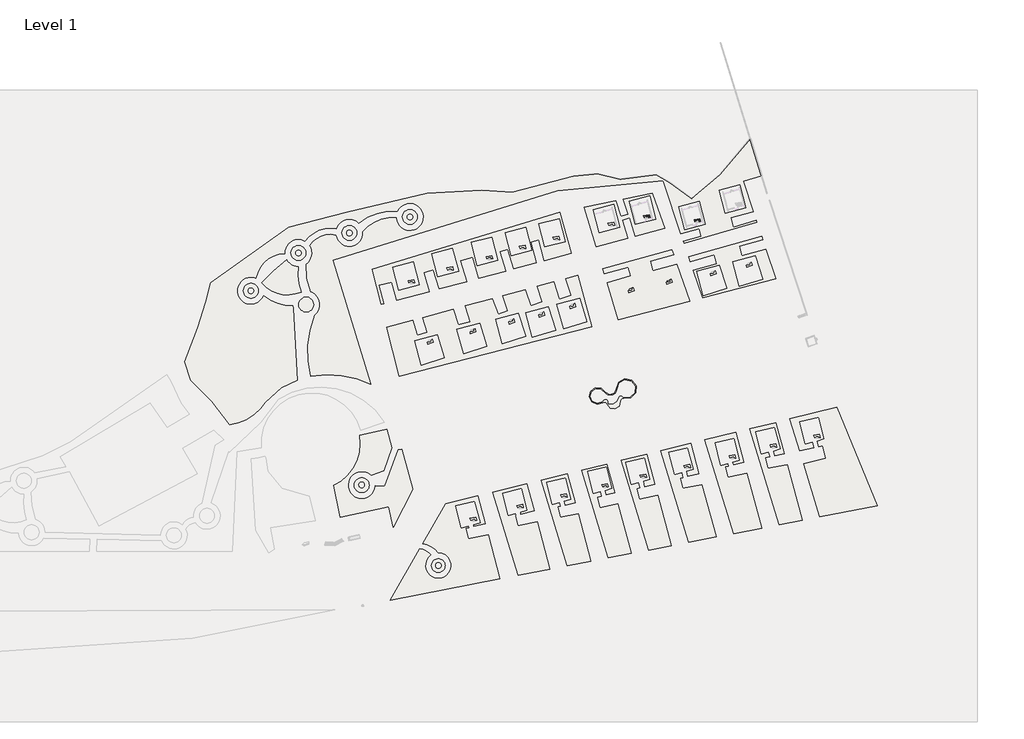
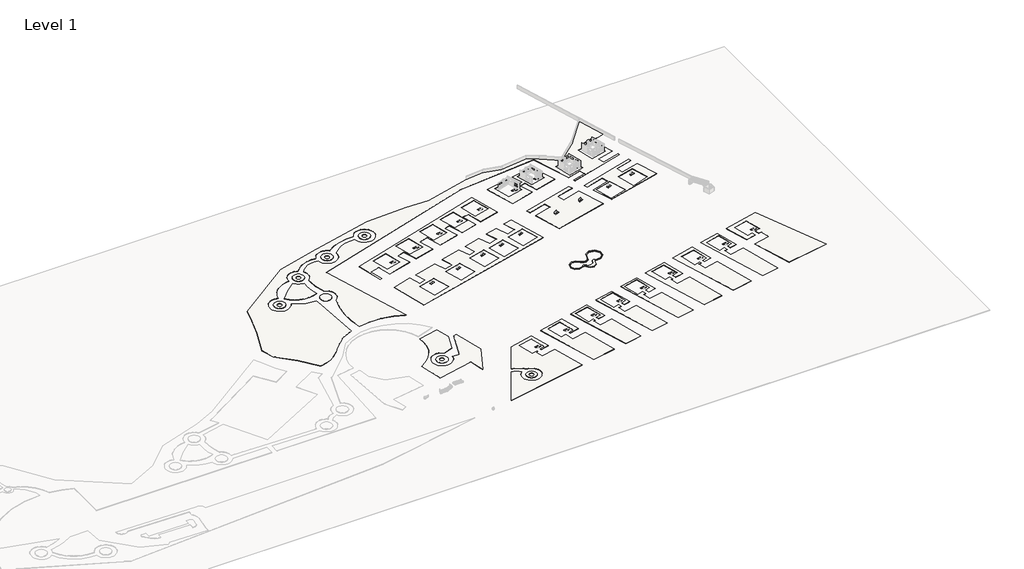
# One storey, part 54 of 56: 30 slabs.
"""IFC4 building model written with IfcOpenShell, lengths in millimetres."""

from ifc_helpers import new_model, si_unit, point, frame, frame_2d, origin, origin_with_axes, place, context, project, spatial, polyline, circle_curve, trimmed, segment, composite_curve, outline, extrude, element, save

model = new_model("IFC4")

# Units and contexts
model_context = context("Model", 3, world=origin())
ifc_project = project(units=[si_unit("LENGTHUNIT", "METRE", prefix="MILLI")], contexts=[model_context])

# Site, building, storey
site = spatial("IfcSite", under=ifc_project)
building = spatial("IfcBuilding", under=site)
storey = spatial("IfcBuildingStorey", under=building, Name="Level 1", Elevation=0.0)

# Slabs
placement = place(None, origin())
element("IfcSlab", 1, at=placement, inside=storey, context=model_context, shape_type="SweptSolid", body=[
    extrude(outline(composite_curve([segment(trimmed(circle_curve(frame_2d((169612.2405315, -29630.4087217)), 4000.0), [point((173581.161598, -29132.7486282))], [point((165769.2791302, -30740.2049496))], False, "CARTESIAN"), True, "CONTINUOUS"), segment(trimmed(circle_curve(frame_2d((164140.7758408, -31210.4950771)), 1695.0503731), [point((165769.2791302, -30740.2049496))], [point((163237.121325, -29776.4085095))], True, "CARTESIAN"), True, "CONTINUOUS"), segment(trimmed(circle_curve(frame_2d((160216.9831471, -25791.5916521)), 5000.0), [point((163237.121325, -29776.4085095))], [point((164763.6557914, -23711.2628642))], False, "CARTESIAN"), True, "CONTINUOUS"), segment(trimmed(circle_curve(frame_2d((167627.0718453, -21411.0165629)), 3672.9122701), [point((164763.6557914, -23711.2628642))], [point((171278.0224053, -21812.0708642))], True, "CARTESIAN"), True, "CONTINUOUS"), segment(trimmed(circle_curve(frame_2d((177273.2834301, -21573.6484554)), 6000.0), [point((171278.0224053, -21812.0708642))], [point((175553.3274812, -27321.8439578))], False, "CARTESIAN"), True, "CONTINUOUS"), segment(trimmed(circle_curve(frame_2d((175211.0050711, -28928.3837538)), 1642.6060845), [point((175553.3274812, -27321.8439578))], [point((173581.161598, -29132.7486282))], True, "CARTESIAN"), True, "CONTINUOUS")], self_intersect=False), holes=[composite_curve([segment(trimmed(circle_curve(frame_2d((164704.7694117, -29890.9972156)), 1984.7106629), [point((162792.7200884, -29358.8846327))], [point((166586.6500273, -30521.5539253))], False, "CARTESIAN"), True, "CONTINUOUS"), segment(trimmed(circle_curve(frame_2d((167952.4111652, -26064.9108336)), 4661.2199188), [point((166586.6500273, -30521.5539253))], [point((172596.1618126, -26468.087044))], True, "CARTESIAN"), True, "CONTINUOUS"), segment(trimmed(circle_curve(frame_2d((173974.478587, -27543.840046)), 1748.4283376), [point((172596.1618126, -26468.087044))], [point((175489.0975584, -26670.3808179))], False, "CARTESIAN"), True, "CONTINUOUS"), segment(trimmed(circle_curve(frame_2d((177273.2834301, -21573.6484554)), 5400.0), [point((175489.0975584, -26670.3808179))], [point((171879.3785061, -21830.1434297))], True, "CARTESIAN"), True, "CONTINUOUS"), segment(trimmed(circle_curve(frame_2d((167627.0718453, -21411.0165629)), 4272.9122701), [point((171879.3785061, -21830.1434297))], [point((164246.4575433, -24024.2953864))], False, "CARTESIAN"), True, "CONTINUOUS"), segment(trimmed(circle_curve(frame_2d((160216.9831471, -25791.5916521)), 4400.0), [point((164246.4575433, -24024.2953864))], [point((162792.7200884, -29358.8846327))], True, "CARTESIAN"), True, "CONTINUOUS")], self_intersect=False)]), origin_with_axes(), (0.0, 0.0, 1.0), 600.0),
])
element("IfcSlab", 2, ObjectType="Generic 150mm", at=placement, inside=storey, context=model_context, shape_type="SweptSolid", body=[
    extrude(outline(polyline([(86953.1777292, -99195.5763629), (85523.4168228, -99584.1923628), (84862.3305043, -99763.8788541), (84350.2989737, -98496.5563441), (87777.4299542, -97892.2606858), (88302.0076282, -99822.2395106), (87193.0934232, -100078.2525272), (86953.1777292, -99195.5763629)])), frame((0.0, 0.0, 450.0), z_axis=(0.0, 0.0, 1.0), x_axis=(1.0, 0.0, 0.0)), (0.0, 0.0, 1.0), 150.0),
])
element("IfcSlab", 3, ObjectType="Generic 150mm", at=placement, inside=storey, context=model_context, shape_type="SweptSolid", body=[
    extrude(outline(polyline([(114794.9072933, -91628.058238), (113365.1463869, -92016.6742379), (112704.0600684, -92196.3607292), (112192.0285378, -90929.0382192), (115619.1595183, -90324.7425609), (116143.7371923, -92254.7213856), (115034.8229873, -92510.7344023), (114794.9072933, -91628.058238)])), frame((0.0, 0.0, 450.0), z_axis=(0.0, 0.0, 1.0), x_axis=(1.0, 0.0, 0.0)), (0.0, 0.0, 1.0), 150.0),
])
element("IfcSlab", 4, ObjectType="Generic 150mm", at=placement, inside=storey, context=model_context, shape_type="SweptSolid", body=[
    extrude(outline(polyline([(140819.2515456, -85337.0958488), (139389.4906393, -85725.7118487), (138728.4043208, -85905.39834), (138216.3727902, -84638.07583), (141643.5037707, -84033.7801717), (142168.0814447, -85963.7589965), (141059.1672397, -86219.7720131), (140819.2515456, -85337.0958488)])), frame((0.0, 0.0, 450.0), z_axis=(0.0, 0.0, 1.0), x_axis=(1.0, 0.0, 0.0)), (0.0, 0.0, 1.0), 150.0),
])
element("IfcSlab", 5, ObjectType="Generic 150mm", at=placement, inside=storey, context=model_context, shape_type="SweptSolid", body=[
    extrude(outline(polyline([(165173.6742752, -79264.8562692), (163743.9133689, -79653.4722691), (163082.8270503, -79833.1587604), (162570.7955197, -78565.8362505), (165997.9265002, -77961.5405922), (166522.5041743, -79891.5194169), (165413.5899692, -80147.5324335), (165173.6742752, -79264.8562692)])), frame((0.0, 0.0, 450.0), z_axis=(0.0, 0.0, 1.0), x_axis=(1.0, 0.0, 0.0)), (0.0, 0.0, 1.0), 150.0),
])
element("IfcSlab", 6, ObjectType="Generic 150mm", at=placement, inside=storey, context=model_context, shape_type="SweptSolid", body=[
    extrude(outline(polyline([(187898.6414707, -73598.8855837), (186468.8805644, -73987.5015836), (185807.7942459, -74167.1880749), (185295.7627153, -72899.8655649), (188722.8936957, -72295.5699066), (189247.4713698, -74225.5487314), (188138.5571648, -74481.561748), (187898.6414707, -73598.8855837)])), frame((0.0, 0.0, 450.0), z_axis=(0.0, 0.0, 1.0), x_axis=(1.0, 0.0, 0.0)), (0.0, 0.0, 1.0), 150.0),
])
element("IfcSlab", 7, ObjectType="Generic 150mm", at=placement, inside=storey, context=model_context, shape_type="SweptSolid", body=[
    extrude(outline(polyline([(213988.8962509, -67873.8980231), (212559.1353446, -68262.5140229), (211898.049026, -68442.2005143), (211386.0174954, -67174.8780043), (214813.1484759, -66570.582346), (215337.72615, -68500.5611707), (214228.8119449, -68756.5741874), (213988.8962509, -67873.8980231)])), frame((0.0, 0.0, 450.0), z_axis=(0.0, 0.0, 1.0), x_axis=(1.0, 0.0, 0.0)), (0.0, 0.0, 1.0), 150.0),
])
element("IfcSlab", 8, ObjectType="Generic 150mm", at=placement, inside=storey, context=model_context, shape_type="SweptSolid", body=[
    extrude(outline(polyline([(240772.2616666, -62109.5221478), (239342.5007603, -62498.1381477), (238681.4144418, -62677.824639), (238169.3829111, -61410.502129), (241596.5138916, -60806.2064708), (242121.0915657, -62736.1852955), (241012.1773606, -62992.1983121), (240772.2616666, -62109.5221478)])), frame((0.0, 0.0, 450.0), z_axis=(0.0, 0.0, 1.0), x_axis=(1.0, 0.0, 0.0)), (0.0, 0.0, 1.0), 150.0),
])
element("IfcSlab", 9, ObjectType="Generic 150mm", at=placement, inside=storey, context=model_context, shape_type="SweptSolid", body=[
    extrude(outline(polyline([(265131.3535588, -55694.943023), (263701.5926525, -56083.5590229), (263040.506334, -56263.2455142), (262528.4748034, -54995.9230042), (265955.6057838, -54391.627346), (266480.1834579, -56321.6061707), (265371.2692529, -56577.6191873), (265131.3535588, -55694.943023)])), frame((0.0, 0.0, 450.0), z_axis=(0.0, 0.0, 1.0), x_axis=(1.0, 0.0, 0.0)), (0.0, 0.0, 1.0), 150.0),
])
element("IfcSlab", 10, ObjectType="Generic 150mm", at=placement, inside=storey, context=model_context, shape_type="SweptSolid", body=[
    extrude(outline(polyline([(291040.1343154, -49984.4317775), (289610.373409, -50373.0477774), (288949.2870905, -50552.7342687), (288437.2555599, -49285.4117588), (291864.3865404, -48681.1161005), (292388.9642144, -50611.0949252), (291280.0500094, -50867.1079418), (291040.1343154, -49984.4317775)])), frame((0.0, 0.0, 450.0), z_axis=(0.0, 0.0, 1.0), x_axis=(1.0, 0.0, 0.0)), (0.0, 0.0, 1.0), 150.0),
])
element("IfcSlab", 11, ObjectType="Generic 150mm", at=placement, inside=storey, context=model_context, shape_type="SweptSolid", body=[
    extrude(outline(polyline([(50179.9856071, 41903.9334982), (48750.2247008, 41515.3174983), (48089.1383822, 41335.631007), (47577.1068516, 42602.953517), (51004.2378321, 43207.2491753), (51528.8155062, 41277.2703506), (50419.9013011, 41021.2573339), (50179.9856071, 41903.9334982)])), frame((0.0, 0.0, 450.0), z_axis=(0.0, 0.0, 1.0), x_axis=(1.0, 0.0, 0.0)), (0.0, 0.0, 1.0), 150.0),
])
element("IfcSlab", 12, ObjectType="Generic 150mm", at=placement, inside=storey, context=model_context, shape_type="SweptSolid", body=[
    extrude(outline(polyline([(73232.5356863, 49453.516685), (71802.77478, 49064.9006851), (71141.6884614, 48885.2141938), (70629.6569308, 50152.5367038), (74056.7879113, 50756.8323621), (74581.3655854, 48826.8535374), (73472.4513803, 48570.8405207), (73232.5356863, 49453.516685)])), frame((0.0, 0.0, 450.0), z_axis=(0.0, 0.0, 1.0), x_axis=(1.0, 0.0, 0.0)), (0.0, 0.0, 1.0), 150.0),
])
element("IfcSlab", 13, ObjectType="Generic 150mm", at=placement, inside=storey, context=model_context, shape_type="SweptSolid", body=[
    extrude(outline(polyline([(96563.6234018, 56167.8136476), (95133.8624955, 55779.1976478), (94472.776177, 55599.5111564), (93960.7446463, 56866.8336664), (97387.8756268, 57471.1293247), (97912.4533009, 55541.1505), (96803.5390959, 55285.1374833), (96563.6234018, 56167.8136476)])), frame((0.0, 0.0, 450.0), z_axis=(0.0, 0.0, 1.0), x_axis=(1.0, 0.0, 0.0)), (0.0, 0.0, 1.0), 150.0),
])
element("IfcSlab", 14, ObjectType="Generic 150mm", at=placement, inside=storey, context=model_context, shape_type="SweptSolid", body=[
    extrude(outline(polyline([(116268.1766023, 62192.1001255), (114838.415696, 61803.4841256), (114177.3293774, 61623.7976343), (113665.2978468, 62891.1201442), (117092.4288273, 63495.4158025), (117617.0065014, 61565.4369778), (116508.0922963, 61309.4239612), (116268.1766023, 62192.1001255)])), frame((0.0, 0.0, 450.0), z_axis=(0.0, 0.0, 1.0), x_axis=(1.0, 0.0, 0.0)), (0.0, 0.0, 1.0), 150.0),
])
element("IfcSlab", 15, ObjectType="Generic 150mm", at=placement, inside=storey, context=model_context, shape_type="SweptSolid", body=[
    extrude(outline(polyline([(136243.4574381, 67621.4790521), (134813.6965318, 67232.8630522), (134152.6102133, 67053.1765609), (133640.5786827, 68320.4990708), (137067.7096632, 68924.7947291), (137592.2873372, 66994.8159044), (136483.3731322, 66738.8028878), (136243.4574381, 67621.4790521)])), frame((0.0, 0.0, 450.0), z_axis=(0.0, 0.0, 1.0), x_axis=(1.0, 0.0, 0.0)), (0.0, 0.0, 1.0), 150.0),
])
element("IfcSlab", 16, ObjectType="Generic 150mm", at=placement, inside=storey, context=model_context, shape_type="SweptSolid", body=[
    extrude(outline(polyline([(168863.1649015, 75979.6512182), (167433.4039951, 75591.0352184), (166772.3176766, 75411.3487271), (166260.286146, 76678.671237), (169687.4171265, 77282.9668953), (170211.9948005, 75352.9880706), (169103.0805955, 75096.975054), (168863.1649015, 75979.6512182)])), frame((0.0, 0.0, 450.0), z_axis=(0.0, 0.0, 1.0), x_axis=(1.0, 0.0, 0.0)), (0.0, 0.0, 1.0), 150.0),
])
element("IfcSlab", 17, ObjectType="Generic 150mm", at=placement, inside=storey, context=model_context, shape_type="SweptSolid", body=[
    extrude(outline(polyline([(189919.7598426, 80455.3686394), (188489.9989363, 80066.7526395), (187828.9126178, 79887.0661482), (187316.8810871, 81154.3886582), (190744.0120676, 81758.6843165), (191268.5897417, 79828.7054918), (190159.6755367, 79572.6924751), (189919.7598426, 80455.3686394)])), frame((0.0, 0.0, 450.0), z_axis=(0.0, 0.0, 1.0), x_axis=(1.0, 0.0, 0.0)), (0.0, 0.0, 1.0), 150.0),
])
element("IfcSlab", 18, ObjectType="Generic 150mm", at=placement, inside=storey, context=model_context, shape_type="SweptSolid", body=[
    extrude(outline(polyline([(220015.9304882, 78165.3249115), (218586.1695819, 77776.7089116), (217925.0832634, 77597.0224203), (217413.0517327, 78864.3449303), (220840.1827132, 79468.6405885), (221364.7603873, 77538.6617638), (220255.8461822, 77282.6487472), (220015.9304882, 78165.3249115)])), frame((0.0, 0.0, 450.0), z_axis=(0.0, 0.0, 1.0), x_axis=(1.0, 0.0, 0.0)), (0.0, 0.0, 1.0), 150.0),
])
element("IfcSlab", 19, ObjectType="Generic 150mm", at=placement, inside=storey, context=model_context, shape_type="SweptSolid", body=[
    extrude(outline(polyline([(61188.9212333, 6628.6741481), (60949.0055392, 7511.3503124), (62034.9401121, 7851.9079173), (62559.5177862, 5921.9290925), (59298.0270781, 4708.2246965), (59098.0740084, 6060.371657), (59759.160327, 6240.0581483), (61188.9212333, 6628.6741481)])), frame((0.0, 0.0, 450.0), z_axis=(0.0, 0.0, 1.0), x_axis=(1.0, 0.0, 0.0)), (0.0, 0.0, 1.0), 150.0),
])
element("IfcSlab", 20, ObjectType="Generic 150mm", at=placement, inside=storey, context=model_context, shape_type="SweptSolid", body=[
    extrude(outline(polyline([(86513.6396891, 12942.8356233), (86273.723995, 13825.5117876), (87359.6585679, 14166.0693924), (87884.236242, 12236.0905677), (84622.7455339, 11022.3861717), (84422.7924642, 12374.5331321), (85083.8787828, 12554.2196234), (86513.6396891, 12942.8356233)])), frame((0.0, 0.0, 450.0), z_axis=(0.0, 0.0, 1.0), x_axis=(1.0, 0.0, 0.0)), (0.0, 0.0, 1.0), 150.0),
])
element("IfcSlab", 21, ObjectType="Generic 150mm", at=placement, inside=storey, context=model_context, shape_type="SweptSolid", body=[
    extrude(outline(polyline([(109626.2489776, 18705.4563377), (109386.3332835, 19588.132502), (110472.2678564, 19928.6901068), (110996.8455305, 17998.7112821), (107735.3548224, 16785.0068861), (107535.4017527, 18137.1538465), (108196.4880713, 18316.8403378), (109626.2489776, 18705.4563377)])), frame((0.0, 0.0, 450.0), z_axis=(0.0, 0.0, 1.0), x_axis=(1.0, 0.0, 0.0)), (0.0, 0.0, 1.0), 150.0),
])
element("IfcSlab", 22, ObjectType="Generic 150mm", at=placement, inside=storey, context=model_context, shape_type="SweptSolid", body=[
    extrude(outline(polyline([(127291.1931884, 22783.730054), (127051.2774943, 23666.4062183), (128137.2120672, 24006.9638231), (128661.7897413, 22076.9849984), (125400.2990332, 20863.2806024), (125200.3459635, 22215.4275628), (125861.432282, 22395.1140541), (127291.1931884, 22783.730054)])), frame((0.0, 0.0, 450.0), z_axis=(0.0, 0.0, 1.0), x_axis=(1.0, 0.0, 0.0)), (0.0, 0.0, 1.0), 150.0),
])
element("IfcSlab", 23, ObjectType="Generic 150mm", at=placement, inside=storey, context=model_context, shape_type="SweptSolid", body=[
    extrude(outline(polyline([(145785.2464451, 27810.5040876), (145545.3307511, 28693.1802519), (146631.265324, 29033.7378567), (147155.842998, 27103.759032), (143894.3522899, 25890.054636), (143694.3992203, 27242.2015964), (144355.4855388, 27421.8880877), (145785.2464451, 27810.5040876)])), frame((0.0, 0.0, 450.0), z_axis=(0.0, 0.0, 1.0), x_axis=(1.0, 0.0, 0.0)), (0.0, 0.0, 1.0), 150.0),
])
element("IfcSlab", 24, ObjectType="Generic 150mm", at=placement, inside=storey, context=model_context, shape_type="SweptSolid", body=[
    extrude(outline(polyline([(180524.8652901, 37252.9022208), (180284.949596, 38135.5783851), (181370.8841689, 38476.1359899), (181895.461843, 36546.1571652), (178633.9711349, 35332.4527692), (178434.0180652, 36684.5997296), (179095.1043838, 36864.2862209), (180524.8652901, 37252.9022208)])), frame((0.0, 0.0, 450.0), z_axis=(0.0, 0.0, 1.0), x_axis=(1.0, 0.0, 0.0)), (0.0, 0.0, 1.0), 150.0),
])
element("IfcSlab", 25, ObjectType="Generic 150mm", at=placement, inside=storey, context=model_context, shape_type="SweptSolid", body=[
    extrude(outline(polyline([(203099.3252934, 42229.6816419), (202859.4095994, 43112.3578062), (203945.3441723, 43452.915411), (204469.9218463, 41522.9365863), (201208.4311382, 40309.2321902), (201008.4780685, 41661.3791507), (201669.5643871, 41841.065642), (203099.3252934, 42229.6816419)])), frame((0.0, 0.0, 450.0), z_axis=(0.0, 0.0, 1.0), x_axis=(1.0, 0.0, 0.0)), (0.0, 0.0, 1.0), 150.0),
])
element("IfcSlab", 26, ObjectType="Generic 150mm", at=placement, inside=storey, context=model_context, shape_type="SweptSolid", body=[
    extrude(outline(polyline([(229124.2408465, 47288.4127724), (228884.3251525, 48171.0889367), (229970.2597254, 48511.6465415), (230494.8373995, 46581.6677168), (227233.3466914, 45367.9633207), (227033.3936217, 46720.1102812), (227694.4799402, 46899.7967725), (229124.2408465, 47288.4127724)])), frame((0.0, 0.0, 450.0), z_axis=(0.0, 0.0, 1.0), x_axis=(1.0, 0.0, 0.0)), (0.0, 0.0, 1.0), 150.0),
])
element("IfcSlab", 27, ObjectType="Generic 150mm", at=placement, inside=storey, context=model_context, shape_type="SweptSolid", body=[
    extrude(outline(polyline([(250571.8920199, 52367.7110818), (250331.9763258, 53250.387246), (251417.9108987, 53590.9448509), (251942.4885728, 51660.9660262), (248680.9978647, 50447.2616301), (248481.044795, 51799.4085906), (249142.1311135, 51979.0950819), (250571.8920199, 52367.7110818)])), frame((0.0, 0.0, 450.0), z_axis=(0.0, 0.0, 1.0), x_axis=(1.0, 0.0, 0.0)), (0.0, 0.0, 1.0), 150.0),
])
element("IfcSlab", 28, ObjectType="Insitu Concrete 225mm", at=placement, inside=storey, context=model_context, shape_type="SweptSolid", body=[
    extrude(outline(composite_curve([segment(polyline([(-81552.1851615, -16630.102184), (-84837.0270044, -5673.1807023), (-77138.2308495, 14683.0759145), (-72601.1086978, 29646.5686246), (-69566.4752138, 41209.8100715), (-23343.9756473, 74148.9686075), (11341.6661752, 83086.5289828), (59070.9748087, 94523.2215126), (91423.7048904, 96192.7424388), (109616.2146669, 95090.4484716), (145777.8617931, 104569.9110244), (159847.5715022, 106054.8429893), (173291.8025563, 102702.1838607), (194841.088592, 105399.8725539), (203076.9256672, 100813.5073738), (215955.0892738, 91221.3191244), (232742.757744, 105545.3870858), (250780.1461241, 126813.8598859), (257527.354795, 104900.8750687), (246714.8179692, 101571.5959748), (252696.1878754, 83531.5144005), (239091.4503196, 79966.408235), (240557.5467204, 74371.6641128), (254386.1343785, 78434.5594802), (254740.7512495, 77365.0189936), (211472.6279293, 64875.813242), (211097.4141525, 65987.4236244), (221767.7069682, 68979.8000366), (220486.2358053, 73549.3028863), (209577.5838882, 70490.0810589), (198997.2673045, 101835.3847041), (136071.3641635, 95849.0233494), (2839.7088427, 54719.0759237), (25576.9423104, -18933.3219501)]), True, "CONTINUOUS"), segment(trimmed(circle_curve(frame_2d((807.1385625, -70160.8136402)), 56901.6615098), [point((25576.9423104, -18933.3219501))], [point((-10035.4682451, -14301.7323715))], True, "CARTESIAN"), True, "CONTINUOUS"), segment(trimmed(circle_curve(frame_2d((46639.6143998, 536.2939906)), 58585.2542807), [point((-10035.4682451, -14301.7323715))], [point((-7859.5203986, 22032.2546658))], False, "CARTESIAN"), True, "CONTINUOUS"), segment(trimmed(circle_curve(frame_2d((-12862.9358657, 28399.9025779)), 8098.2162399), [point((-7859.5203986, 22032.2546658))], [point((-10275.3240245, 36073.5830005))], True, "CARTESIAN"), True, "CONTINUOUS"), segment(trimmed(circle_curve(frame_2d((29864.7789585, 51101.5627116)), 42861.0317384), [point((-10275.3240245, 36073.5830005))], [point((-12979.6446332, 52294.6296732))], False, "CARTESIAN"), True, "CONTINUOUS"), segment(trimmed(circle_curve(frame_2d((-17506.0416813, 59009.7496298)), 8098.2162399), [point((-12979.6446332, 52294.6296732))], [point((-10682.6099811, 63371.1583588))], True, "CARTESIAN"), True, "CONTINUOUS"), segment(trimmed(circle_curve(frame_2d((1436.3207659, 55678.6574767)), 14354.199813), [point((-10682.6099811, 63371.1583588))], [point((4737.5809943, 69648.0788382))], False, "CARTESIAN"), True, "CONTINUOUS"), segment(trimmed(circle_curve(frame_2d((12739.1762339, 70895.307723)), 8098.2162399), [point((4737.5809943, 69648.0788382))], [point((20792.1308517, 71750.3095899))], True, "CARTESIAN"), True, "CONTINUOUS"), segment(trimmed(circle_curve(frame_2d((38956.5443618, 55849.7382457)), 24140.7143067), [point((20792.1308517, 71750.3095899))], [point((40606.839849, 79933.9781557))], False, "CARTESIAN"), True, "CONTINUOUS"), segment(trimmed(circle_curve(frame_2d((48692.0502099, 80392.7588089)), 8098.2162399), [point((40606.839849, 79933.9781557))], [point((41296.8642651, 83693.1119884))], True, "CARTESIAN"), True, "CONTINUOUS"), segment(trimmed(circle_curve(frame_2d((38420.6737924, 51522.2121255)), 32299.2146906), [point((41296.8642651, 83693.1119884))], [point((18296.3774612, 76785.8612444))], True, "CARTESIAN"), True, "CONTINUOUS"), segment(trimmed(circle_curve(frame_2d((12739.1762339, 70895.307723)), 8098.2162399), [point((18296.3774612, 76785.8612444))], [point((5007.1564349, 73302.9987531))], True, "CARTESIAN"), True, "CONTINUOUS"), segment(trimmed(circle_curve(frame_2d((1331.7211087, 55161.4650404)), 18510.1072467), [point((5007.1564349, 73302.9987531))], [point((-13598.4625325, 66102.8400328))], True, "CARTESIAN"), True, "CONTINUOUS"), segment(trimmed(circle_curve(frame_2d((-17506.0416813, 59009.7496298)), 8098.2162399), [point((-13598.4625325, 66102.8400328))], [point((-25597.3678732, 58675.7635142))], True, "CARTESIAN"), True, "CONTINUOUS"), segment(trimmed(circle_curve(frame_2d((-25166.8138284, 40880.3384454)), 17800.6328586), [point((-25597.3678732, 58675.7635142))], [point((-42680.7488673, 44062.2576181))], True, "CARTESIAN"), True, "CONTINUOUS"), segment(trimmed(circle_curve(frame_2d((-45736.1068911, 36562.5313821)), 8098.2162399), [point((-42680.7488673, 44062.2576181))], [point((-38203.0751019, 33590.2362535))], True, "CARTESIAN"), True, "CONTINUOUS"), segment(trimmed(circle_curve(frame_2d((-20804.9816897, 56342.5896187)), 28641.9838355), [point((-38203.0751019, 33590.2362535))], [point((-20930.9267843, 27700.8826886))], True, "CARTESIAN"), True, "CONTINUOUS"), segment(trimmed(circle_curve(frame_2d((-12862.9358657, 28399.9025779)), 8098.2162399), [point((-20930.9267843, 27700.8826886))], [point((-20645.2808244, 26160.2121502))], True, "CARTESIAN"), True, "CONTINUOUS"), segment(trimmed(circle_curve(frame_2d((212895.3132969, 18538.6590118)), 233664.924999), [point((-20645.2808244, 26160.2121502))], [point((-18127.3270858, -16501.8433446))], True, "CARTESIAN"), True, "CONTINUOUS"), segment(trimmed(circle_curve(frame_2d((807.1385625, -70160.8136402)), 56901.6615098), [point((-18127.3270858, -16501.8433446))], [point((-27657.5426547, -20890.5284191))], True, "CARTESIAN"), True, "CONTINUOUS"), segment(polyline([(-27657.5426547, -20890.5284191), (-37072.0185877, -29513.0617995)]), True, "CONTINUOUS"), segment(trimmed(circle_curve(frame_2d((-62623.8704727, -12934.1655278)), 30459.1026844), [point((-37072.0185877, -29513.0617995))], [point((-58234.1926581, -43075.2946544))], False, "CARTESIAN"), True, "CONTINUOUS"), segment(trimmed(circle_curve(frame_2d((-164808.4661267, -113544.0432669)), 127765.0981151), [point((-58234.1926581, -43075.2946544))], [point((-81552.1851615, -16630.102184))], True, "CARTESIAN"), True, "CONTINUOUS")], self_intersect=False), holes=[polyline([(224210.136029, 76066.7765729), (220621.8618687, 89759.9250972), (208341.5458155, 86541.8820959), (211929.8199758, 72848.7335716), (224210.136029, 76066.7765729)]), polyline([(248182.0953836, 85752.0768368), (244593.8212233, 99445.2253611), (232313.5051702, 96227.1823598), (235901.7793305, 82534.0338355), (248182.0953836, 85752.0768368)])]), frame((0.0, 0.0, 75.0), z_axis=(0.0, 0.0, 1.0), x_axis=(1.0, 0.0, 0.0)), (0.0, 0.0, 1.0), 225.0),
    extrude(outline(composite_curve([segment(trimmed(circle_curve(frame_2d((-45736.1068911, 36562.5313821)), 4400.1177942), [point((-50136.2246853, 36562.5313821))], [point((-41335.9890969, 36562.5313821))], False, "CARTESIAN"), True, "CONTINUOUS"), segment(trimmed(circle_curve(frame_2d((-45736.1068911, 36562.5313821)), 4400.1177942), [point((-41335.9890969, 36562.5313821))], [point((-50136.2246853, 36562.5313821))], False, "CARTESIAN"), True, "CONTINUOUS")], self_intersect=False), holes=[composite_curve([segment(trimmed(circle_curve(frame_2d((-45736.1068911, 36562.5313821)), 1651.6182569), [point((-47387.725148, 36562.5313821))], [point((-44084.4886342, 36562.5313821))], True, "CARTESIAN"), True, "CONTINUOUS"), segment(trimmed(circle_curve(frame_2d((-45736.1068911, 36562.5313821)), 1651.6182569), [point((-44084.4886342, 36562.5313821))], [point((-47387.725148, 36562.5313821))], True, "CARTESIAN"), True, "CONTINUOUS")], self_intersect=False)]), frame((0.0, 0.0, 75.0), z_axis=(0.0, 0.0, 1.0), x_axis=(1.0, 0.0, 0.0)), (0.0, 0.0, 1.0), 225.0),
    extrude(outline(composite_curve([segment(trimmed(circle_curve(frame_2d((24412.1318745, -11522.689505)), 82638.7538275), [point((-39148.4761386, 41290.3083569))], [point((-24564.10425, 55039.2510409))], False, "CARTESIAN"), True, "CONTINUOUS"), segment(trimmed(circle_curve(frame_2d((-17506.0416813, 59009.7496298)), 8098.2162399), [point((-24564.10425, 55039.2510409))], [point((-17585.0773251, 50911.9190786))], True, "CARTESIAN"), True, "CONTINUOUS"), segment(trimmed(circle_curve(frame_2d((10919.7509383, 46399.8823664)), 28859.7246975), [point((-17585.0773251, 50911.9190786))], [point((-15930.0412824, 35818.182724))], True, "CARTESIAN"), True, "CONTINUOUS"), segment(trimmed(circle_curve(frame_2d((-23891.9956827, 54029.7197342)), 19875.9351514), [point((-15930.0412824, 35818.182724))], [point((-39148.4761386, 41290.3083569))], False, "CARTESIAN"), True, "CONTINUOUS")], self_intersect=False)), frame((0.0, 0.0, 75.0), z_axis=(0.0, 0.0, 1.0), x_axis=(1.0, 0.0, 0.0)), (0.0, 0.0, 1.0), 225.0),
    extrude(outline(composite_curve([segment(trimmed(circle_curve(frame_2d((-12862.9358657, 28399.9025779)), 4400.1177942), [point((-17263.0536599, 28399.9025779))], [point((-8462.8180715, 28399.9025779))], False, "CARTESIAN"), True, "CONTINUOUS"), segment(trimmed(circle_curve(frame_2d((-12862.9358657, 28399.9025779)), 4400.1177942), [point((-8462.8180715, 28399.9025779))], [point((-17263.0536599, 28399.9025779))], False, "CARTESIAN"), True, "CONTINUOUS")], self_intersect=False)), frame((0.0, 0.0, 75.0), z_axis=(0.0, 0.0, 1.0), x_axis=(1.0, 0.0, 0.0)), (0.0, 0.0, 1.0), 225.0),
    extrude(outline(composite_curve([segment(trimmed(circle_curve(frame_2d((-17506.0416813, 59009.7496298)), 4400.1177942), [point((-21906.1594755, 59009.7496298))], [point((-13105.9238871, 59009.7496298))], False, "CARTESIAN"), True, "CONTINUOUS"), segment(trimmed(circle_curve(frame_2d((-17506.0416813, 59009.7496298)), 4400.1177942), [point((-13105.9238871, 59009.7496298))], [point((-21906.1594755, 59009.7496298))], False, "CARTESIAN"), True, "CONTINUOUS")], self_intersect=False), holes=[composite_curve([segment(trimmed(circle_curve(frame_2d((-17506.0416813, 59009.7496298)), 1651.6182569), [point((-19157.6599382, 59009.7496298))], [point((-15854.4234244, 59009.7496298))], True, "CARTESIAN"), True, "CONTINUOUS"), segment(trimmed(circle_curve(frame_2d((-17506.0416813, 59009.7496298)), 1651.6182569), [point((-15854.4234244, 59009.7496298))], [point((-19157.6599382, 59009.7496298))], True, "CARTESIAN"), True, "CONTINUOUS")], self_intersect=False)]), frame((0.0, 0.0, 75.0), z_axis=(0.0, 0.0, 1.0), x_axis=(1.0, 0.0, 0.0)), (0.0, 0.0, 1.0), 225.0),
    extrude(outline(composite_curve([segment(trimmed(circle_curve(frame_2d((12739.1762339, 70895.307723)), 4400.1177942), [point((8339.0584397, 70895.307723))], [point((17139.2940281, 70895.307723))], False, "CARTESIAN"), True, "CONTINUOUS"), segment(trimmed(circle_curve(frame_2d((12739.1762339, 70895.307723)), 4400.1177942), [point((17139.2940281, 70895.307723))], [point((8339.0584397, 70895.307723))], False, "CARTESIAN"), True, "CONTINUOUS")], self_intersect=False), holes=[composite_curve([segment(trimmed(circle_curve(frame_2d((12739.1762339, 70895.307723)), 1651.6182569), [point((11087.557977, 70895.307723))], [point((14390.7944908, 70895.307723))], True, "CARTESIAN"), True, "CONTINUOUS"), segment(trimmed(circle_curve(frame_2d((12739.1762339, 70895.307723)), 1651.6182569), [point((14390.7944908, 70895.307723))], [point((11087.557977, 70895.307723))], True, "CARTESIAN"), True, "CONTINUOUS")], self_intersect=False)]), frame((0.0, 0.0, 75.0), z_axis=(0.0, 0.0, 1.0), x_axis=(1.0, 0.0, 0.0)), (0.0, 0.0, 1.0), 225.0),
    extrude(outline(composite_curve([segment(trimmed(circle_curve(frame_2d((48692.0502099, 80392.7588089)), 4400.1177942), [point((44291.9324158, 80392.7588089))], [point((53092.1680041, 80392.7588089))], False, "CARTESIAN"), True, "CONTINUOUS"), segment(trimmed(circle_curve(frame_2d((48692.0502099, 80392.7588089)), 4400.1177942), [point((53092.1680041, 80392.7588089))], [point((44291.9324158, 80392.7588089))], False, "CARTESIAN"), True, "CONTINUOUS")], self_intersect=False), holes=[composite_curve([segment(trimmed(circle_curve(frame_2d((48692.0502099, 80392.7588089)), 1651.6182569), [point((47040.4319531, 80392.7588089))], [point((50343.6684668, 80392.7588089))], True, "CARTESIAN"), True, "CONTINUOUS"), segment(trimmed(circle_curve(frame_2d((48692.0502099, 80392.7588089)), 1651.6182569), [point((50343.6684668, 80392.7588089))], [point((47040.4319531, 80392.7588089))], True, "CARTESIAN"), True, "CONTINUOUS")], self_intersect=False)]), frame((0.0, 0.0, 75.0), z_axis=(0.0, 0.0, 1.0), x_axis=(1.0, 0.0, 0.0)), (0.0, 0.0, 1.0), 225.0),
    extrude(outline(polyline([(26421.1403953, 49400.9224038), (137740.8565828, 83197.4870772), (144616.1321418, 58751.2610784), (128451.8679514, 54417.5359153), (125274.7383478, 66752.457772), (120416.4487126, 65501.0987442), (123605.9079281, 53118.3082706), (110480.8545155, 49599.4116744), (106812.5291922, 61252.7059757), (102064.8051818, 59758.1761229), (105668.7908435, 48309.2718216), (89605.5225822, 44002.6242041), (85965.8065525, 56459.0337118), (78723.2931953, 54342.7985362), (82315.7309162, 42048.1923039), (66273.6554676, 37747.2265921), (62594.9862202, 49005.1063276), (56912.8985743, 47280.3988907), (60293.2237827, 36143.8410638), (40774.7819706, 30910.8430486), (37940.0634489, 41744.4728519), (30344.2820095, 39756.9670276), (33190.9724397, 28877.5833957), (31644.6221938, 28462.998674), (26421.1403953, 49400.9224038)]), holes=[polyline([(141036.7658149, 65787.4763807), (137448.4916547, 79480.624905), (125168.1756015, 76262.5819037), (128756.4497618, 62569.4333794), (141036.7658149, 65787.4763807)]), polyline([(121109.6020416, 60565.5855402), (117521.3278813, 74258.7340645), (105241.0118282, 71040.6910633), (108829.2859884, 57347.542539), (121109.6020416, 60565.5855402)]), polyline([(100923.1064269, 54777.2010681), (97334.8322666, 68470.3495924), (85054.5162134, 65252.3065911), (88642.7903737, 51559.1580668), (100923.1064269, 54777.2010681)]), polyline([(77564.4472156, 48079.2133217), (73976.1730553, 61772.361846), (61695.8570021, 58554.3188448), (65284.1311624, 44861.1703205), (77564.4472156, 48079.2133217)]), polyline([(54304.6902558, 40070.2367221), (50716.4160955, 53763.3852464), (38436.1000424, 50545.3422451), (42024.3742027, 36852.1937208), (54304.6902558, 40070.2367221)])]), frame((0.0, 0.0, 75.0), z_axis=(0.0, 0.0, 1.0), x_axis=(1.0, 0.0, 0.0)), (0.0, 0.0, 1.0), 225.0),
    extrude(outline(polyline([(152280.941019, 86248.6206936), (170797.5556805, 90011.6579381), (173800.0260054, 80840.9729044), (178357.0834939, 82147.6843177), (175366.5013908, 90940.1814934), (192686.501401, 94460.0368399), (199870.4488803, 73565.237143), (182560.2637489, 68924.2844836), (179270.2693047, 79918.3810035), (174808.3402358, 78583.1442407), (178059.8365456, 67717.6960249), (159381.9363829, 62710.0516945), (152280.941019, 86248.6206936)]), holes=[polyline([(194683.8578102, 79183.3192273), (191095.5836499, 92876.4677516), (178815.2675967, 89658.4247503), (182403.541757, 75965.276226), (194683.8578102, 79183.3192273)]), polyline([(173442.5903978, 74279.3862426), (169854.3162376, 87972.5347669), (157574.0001844, 84754.4917656), (161162.2743447, 71061.3432413), (173442.5903978, 74279.3862426)])]), frame((0.0, 0.0, 75.0), z_axis=(0.0, 0.0, 1.0), x_axis=(1.0, 0.0, 0.0)), (0.0, 0.0, 1.0), 225.0),
    extrude(outline(polyline([(35021.3426036, 14927.6754687), (50384.965464, 19101.9062316), (53165.1900021, 10179.7830346), (58901.1056483, 11967.1528204), (56186.6544352, 20678.2003649), (74303.9476929, 25600.5916227), (77540.0413363, 16514.8187108), (84460.5506992, 18305.6842606), (81490.3787035, 27553.1142584), (97506.408267, 31904.6011382), (101010.8323941, 22544.6711813), (106664.1185635, 24661.3015985), (103836.3665855, 33624.4237986), (117206.5057212, 37257.0335412), (120477.5897934, 27700.804154), (127387.4398912, 30066.0362639), (124269.1390199, 39175.9208669), (134027.3846417, 41827.1945564), (137409.7836595, 31486.7145979), (144574.615511, 33830.3505137), (141311.4717724, 43806.2499431), (148286.3173338, 45701.2857152), (156819.0584221, 15361.6556539), (42297.4112712, -14237.8843425), (35021.3426036, 14927.6754687)]), holes=[polyline([(64894.9059792, 10547.2913051), (51464.9613044, 6898.4326527), (55407.5393167, -7612.5719179), (69213.1655654, -3310.5980477), (64894.9059792, 10547.2913051)]), polyline([(90081.8253613, 17390.4698095), (76651.8806864, 13741.6111571), (80594.4586987, -769.3934135), (94400.0849474, 3532.5804566), (90081.8253613, 17390.4698095)]), polyline([(113027.7873529, 23321.1382606), (99597.8426781, 19672.2796083), (103540.4206904, 5161.2750377), (117346.0469391, 9463.2489078), (113027.7873529, 23321.1382606)]), polyline([(130887.3032147, 27117.2955453), (117457.3585399, 23468.4368929), (121399.9365522, 8957.4323223), (135205.5628009, 13259.4061925), (130887.3032147, 27117.2955453)]), polyline([(149415.6117256, 32151.3578934), (135985.6670508, 28502.499241), (139928.2450631, 13991.4946704), (153733.8713118, 18293.4685405), (149415.6117256, 32151.3578934)])]), frame((0.0, 0.0, 75.0), z_axis=(0.0, 0.0, 1.0), x_axis=(1.0, 0.0, 0.0)), (0.0, 0.0, 1.0), 225.0),
    extrude(outline(polyline([(204225.0827934, 60899.6095574), (205269.3525307, 57862.3090964), (191289.7153189, 54121.0544744), (192818.5753858, 48408.2893079), (207194.76695, 52262.1639475), (214735.1087267, 30330.7771264), (172447.2068298, 19400.9444292), (165810.037681, 41402.0099082), (179845.3265388, 45383.5586103), (178359.5547428, 50621.0272171), (164237.4541853, 46614.851661), (163283.8034192, 49776.0386789), (204225.0827934, 60899.6095574)])), frame((0.0, 0.0, 75.0), z_axis=(0.0, 0.0, 1.0), x_axis=(1.0, 0.0, 0.0)), (0.0, 0.0, 1.0), 225.0),
    extrude(outline(polyline([(257552.2250642, 68885.4870876), (258236.3675011, 66822.0826226), (244280.8944582, 63087.2948571), (245809.7545251, 57374.5296906), (260100.7226888, 61199.1032389), (265946.7988934, 43567.0735741), (222459.1287703, 32327.1458994), (216917.5874546, 48744.5464403), (231003.9461074, 52740.5826872), (229518.1743114, 57978.051294), (215174.379072, 53908.9851069), (214238.6128326, 56681.291274), (257552.2250642, 68885.4870876)]), holes=[polyline([(232454.3318975, 51845.2722215), (219024.3872226, 48196.4135691), (222966.965235, 33685.4089985), (236772.5914836, 37987.3828687), (232454.3318975, 51845.2722215)]), polyline([(253851.1994087, 57375.5579924), (240421.2547338, 53726.69934), (244363.8327462, 39215.6947694), (258169.4589948, 43517.6686395), (253851.1994087, 57375.5579924)])]), frame((0.0, 0.0, 75.0), z_axis=(0.0, 0.0, 1.0), x_axis=(1.0, 0.0, 0.0)), (0.0, 0.0, 1.0), 225.0),
])
element("IfcSlab", 29, ObjectType="Insitu Concrete 225mm", at=placement, inside=storey, context=model_context, shape_type="SweptSolid", body=[
    extrude(outline(composite_curve([segment(polyline([(102107.0414896, -134447.1749118), (36937.6386762, -147046.8758197), (54542.7345859, -116553.9552321)]), True, "CONTINUOUS"), segment(trimmed(circle_curve(frame_2d((53387.4311905, -126350.3201744)), 9864.2532418), [point((54542.7345859, -116553.9552321))], [point((61181.4397822, -120304.0881171))], False, "CARTESIAN"), True, "CONTINUOUS"), segment(trimmed(circle_curve(frame_2d((65560.9124047, -126553.3937674)), 7631.0943882), [point((61181.4397822, -120304.0881171))], [point((65560.9124047, -118922.2993792))], True, "CARTESIAN"), True, "CONTINUOUS"), segment(trimmed(circle_curve(frame_2d((54507.0798945, -127341.9049371)), 13895.2139571), [point((65560.9124047, -118922.2993792))], [point((56271.7559424, -113559.2023951))], True, "CARTESIAN"), True, "CONTINUOUS"), segment(polyline([(56271.7559424, -113559.2023951), (69962.1946413, -89846.6669908), (88963.2953566, -85171.182439), (93375.4173966, -101712.2575809), (86729.967792, -103286.4117487), (86511.1357705, -102362.5904353), (90623.7837003, -101107.1514663), (87196.6006263, -88258.6191187), (75712.3435298, -90963.2263094), (79009.669661, -104363.5113954), (83454.2721936, -103177.9700309), (83652.6310992, -104015.3620333), (81965.4229398, -104415.0228409), (83419.3112688, -110588.498759), (95125.8440541, -108274.6188686), (102107.0414896, -134447.1749118)]), True, "CONTINUOUS")], self_intersect=False)), frame((0.0, 0.0, 75.0), z_axis=(0.0, 0.0, 1.0), x_axis=(1.0, 0.0, 0.0)), (0.0, 0.0, 1.0), 225.0),
    extrude(outline(composite_curve([segment(trimmed(circle_curve(frame_2d((65560.9124047, -126553.3937674)), 4055.2807473), [point((61505.6316574, -126553.3937674))], [point((69616.193152, -126553.3937674))], False, "CARTESIAN"), True, "CONTINUOUS"), segment(trimmed(circle_curve(frame_2d((65560.9124047, -126553.3937674)), 4055.2807473), [point((69616.193152, -126553.3937674))], [point((61505.6316574, -126553.3937674))], False, "CARTESIAN"), True, "CONTINUOUS")], self_intersect=False), holes=[composite_curve([segment(trimmed(circle_curve(frame_2d((65563.5819842, -126517.2155419)), 1651.6182569), [point((63911.9637274, -126517.2155419))], [point((67215.2002411, -126517.2155419))], True, "CARTESIAN"), True, "CONTINUOUS"), segment(trimmed(circle_curve(frame_2d((65563.5819842, -126517.2155419)), 1651.6182569), [point((67215.2002411, -126517.2155419))], [point((63911.9637274, -126517.2155419))], True, "CARTESIAN"), True, "CONTINUOUS")], self_intersect=False)]), frame((0.0, 0.0, 75.0), z_axis=(0.0, 0.0, 1.0), x_axis=(1.0, 0.0, 0.0)), (0.0, 0.0, 1.0), 225.0),
    extrude(outline(polyline([(97986.4616928, -82950.9071273), (118005.1322016, -78025.0354047), (122400.2748279, -94154.1491653), (114639.2152458, -95988.3975502), (114387.7600879, -94926.8543966), (118500.4080178, -93671.4154276), (115073.2249437, -80822.88308), (103588.9678473, -83527.4902707), (106886.2939784, -96927.7753567), (111330.896511, -95742.2339922), (111561.5078204, -96715.7827499), (111239.5699672, -96791.869524), (112693.4582962, -102965.3454421), (124182.4918213, -100694.4558352), (131814.8929892, -128703.527934), (113059.9364276, -132329.5676554), (97986.4616928, -82950.9071273)])), frame((0.0, 0.0, 75.0), z_axis=(0.0, 0.0, 1.0), x_axis=(1.0, 0.0, 0.0)), (0.0, 0.0, 1.0), 225.0),
    extrude(outline(polyline([(126572.9458066, -75916.8059525), (142074.6230051, -72102.4031264), (146760.3833435, -89298.0138221), (140920.7697393, -90673.2756969), (140411.5021389, -88523.3514753), (144524.1500687, -87267.9125063), (141096.9669947, -74419.3801587), (129612.7098982, -77123.9873494), (132910.0360294, -90524.2724353), (137354.638562, -89338.7310709), (137842.4862054, -91398.2287967), (136516.9035514, -91710.4109734), (137970.7918804, -97883.8868915), (148531.2162203, -95796.5435283), (156212.900782, -123986.4738003), (142080.8897941, -126718.7239666), (126572.9458066, -75916.8059525)])), frame((0.0, 0.0, 75.0), z_axis=(0.0, 0.0, 1.0), x_axis=(1.0, 0.0, 0.0)), (0.0, 0.0, 1.0), 225.0),
    extrude(outline(polyline([(150613.6877377, -70001.2477332), (165670.0712729, -66296.4155932), (170356.8926652, -83495.9201009), (165385.1126745, -84666.8022747), (164760.1942742, -82028.6466091), (168872.8422041, -80773.2076401), (165445.6591301, -67924.6752925), (153961.4020336, -70629.2824833), (157258.7281647, -84029.5675692), (161703.3306974, -82844.0262048), (162306.8291406, -85391.7553745), (159908.3169022, -85956.6185078), (161362.2052312, -92130.0944259), (172129.7327144, -90001.815646), (180130.3959801, -119362.320855), (166487.0117447, -122000.1010603), (150613.6877377, -70001.2477332)])), frame((0.0, 0.0, 75.0), z_axis=(0.0, 0.0, 1.0), x_axis=(1.0, 0.0, 0.0)), (0.0, 0.0, 1.0), 225.0),
    extrude(outline(polyline([(174226.8305406, -64190.9062141), (189219.2704315, -60501.8082954), (194087.0977017, -78365.5607343), (188167.4924303, -79759.661097), (187432.7875329, -76658.0307296), (191545.4354628, -75402.5917606), (188118.2523888, -62554.0594131), (176633.9952923, -65258.6666038), (179931.3214234, -78658.9516897), (184375.9239561, -77473.4103253), (185089.2088964, -80484.6141968), (183311.878079, -80903.1856088), (184765.766408, -87076.6615269), (195863.1344521, -84883.1874022), (204001.0108292, -114747.2316474), (190459.0357586, -117365.4056405), (174226.8305406, -64190.9062141)])), frame((0.0, 0.0, 75.0), z_axis=(0.0, 0.0, 1.0), x_axis=(1.0, 0.0, 0.0)), (0.0, 0.0, 1.0), 225.0),
    extrude(outline(polyline([(197763.8319292, -58399.3003468), (215400.3388317, -54059.5930422), (220305.619466, -72060.7902968), (213738.1998377, -73608.553772), (213032.4513523, -70629.1658005), (217145.0992822, -69373.7268315), (213717.9162082, -56525.1944839), (202233.6591117, -59229.8016747), (205530.9852428, -72630.0867606), (209975.5877755, -71444.5453962), (210660.0318924, -74333.9948411), (209347.0514148, -74643.4288871), (210800.9397438, -80816.9048052), (222083.9248082, -78586.7421495), (230539.4164842, -109616.3579645), (214353.761133, -112745.6549601), (197763.8319292, -58399.3003468)])), frame((0.0, 0.0, 75.0), z_axis=(0.0, 0.0, 1.0), x_axis=(1.0, 0.0, 0.0)), (0.0, 0.0, 1.0), 225.0),
    extrude(outline(polyline([(223882.7303378, -51972.382883), (242042.3140111, -47503.965279), (246905.8701146, -65352.0435656), (240888.9882362, -66771.4066135), (240516.0105342, -65196.8438589), (244628.6584641, -63941.4048899), (241201.4753901, -51092.8725423), (229717.2182936, -53797.4797331), (233014.5444247, -67197.764819), (237459.1469573, -66012.2234546), (237810.9748241, -67497.5000596), (235880.3005092, -67952.9399096), (237334.1888382, -74126.4158278), (248685.4720376, -71882.7535575), (257545.0196915, -104395.1573925), (240869.6241459, -107619.1396192), (223882.7303378, -51972.382883)])), frame((0.0, 0.0, 75.0), z_axis=(0.0, 0.0, 1.0), x_axis=(1.0, 0.0, 0.0)), (0.0, 0.0, 1.0), 225.0),
    extrude(outline(polyline([(250513.607457, -45419.4859516), (265880.4932195, -41638.2504291), (270913.7025382, -60108.9151117), (265295.3559851, -61405.4415735), (264636.5125971, -58624.0681716), (268749.1605269, -57368.6292026), (265321.9774529, -44520.096855), (253837.7203564, -47224.7040458), (257135.0464876, -60624.9891317), (261579.6490202, -59439.4477673), (262213.7959415, -62116.5625594), (259780.6869331, -62678.0427358), (261234.5752621, -68851.5186539), (272679.5986201, -66589.3279712), (281708.5587893, -99723.4348914), (267905.2471098, -102392.1350972), (250513.607457, -45419.4859516)])), frame((0.0, 0.0, 75.0), z_axis=(0.0, 0.0, 1.0), x_axis=(1.0, 0.0, 0.0)), (0.0, 0.0, 1.0), 225.0),
    extrude(outline(polyline([(274361.9186884, -39551.2779767), (302203.7556022, -32700.4075806), (326190.7855534, -91123.3445307), (292116.0137283, -97711.281737), (282441.7745401, -66019.7882365), (295592.9525425, -63002.8337545), (293843.7720126, -55377.9973031), (291448.5974087, -55927.4638797), (290672.5392702, -52651.2566601), (294785.1872001, -51395.8176911), (291358.0041261, -38547.2853435), (279873.7470296, -41251.8925342), (283171.0731607, -54652.1776202), (287615.6756934, -53466.6362557), (288366.0951704, -56634.6072962), (280152.0482796, -58518.9560274), (274361.9186884, -39551.2779767)])), frame((0.0, 0.0, 75.0), z_axis=(0.0, 0.0, 1.0), x_axis=(1.0, 0.0, 0.0)), (0.0, 0.0, 1.0), 225.0),
])
element("IfcSlab", 30, ObjectType="Insitu Concrete 225mm", at=placement, inside=storey, context=model_context, shape_type="SweptSolid", body=[
    extrude(outline(composite_curve([segment(polyline([(37891.733717, -56545.5352478), (33140.2983135, -70188.1428485), (25657.5200977, -72909.7981994)]), True, "CONTINUOUS"), segment(trimmed(circle_curve(frame_2d((20109.4592149, -78808.9614206)), 8098.2162399), [point((25657.5200977, -72909.7981994))], [point((28195.666379, -79249.8241756))], True, "CARTESIAN"), True, "CONTINUOUS"), segment(polyline([(28195.666379, -79249.8241756), (33651.8197395, -79547.295506), (41818.198811, -57829.0756225), (43996.2349558, -57518.8111741), (50354.8474122, -81246.0572427), (38678.9330924, -103926.3297616), (36022.2897297, -91609.5831926), (7482.4041389, -97765.4537547), (3435.3988691, -79002.7026179)]), True, "CONTINUOUS"), segment(trimmed(circle_curve(frame_2d((-7945.3642097, -54212.4692408)), 27277.7828855), [point((3435.3988691, -79002.7026179))], [point((18843.7332348, -49072.2652317))], True, "CARTESIAN"), True, "CONTINUOUS"), segment(polyline([(18843.7332348, -49072.2652317), (35037.1755247, -45579.4434271), (37891.733717, -56545.5352478)]), True, "CONTINUOUS")], self_intersect=False)), frame((0.0, 0.0, 75.0), z_axis=(0.0, 0.0, 1.0), x_axis=(1.0, 0.0, 0.0)), (0.0, 0.0, 1.0), 225.0),
    extrude(outline(composite_curve([segment(trimmed(circle_curve(frame_2d((20109.4592149, -78808.9614206)), 4400.1177942), [point((15709.3414208, -78808.9614206))], [point((24509.5770091, -78808.9614206))], False, "CARTESIAN"), True, "CONTINUOUS"), segment(trimmed(circle_curve(frame_2d((20109.4592149, -78808.9614206)), 4400.1177942), [point((24509.5770091, -78808.9614206))], [point((15709.3414208, -78808.9614206))], False, "CARTESIAN"), True, "CONTINUOUS")], self_intersect=False), holes=[composite_curve([segment(trimmed(circle_curve(frame_2d((20055.1616171, -78690.4093685)), 1651.6182569), [point((18403.5433603, -78690.4093685))], [point((21706.779874, -78690.4093685))], True, "CARTESIAN"), True, "CONTINUOUS"), segment(trimmed(circle_curve(frame_2d((20055.1616171, -78690.4093685)), 1651.6182569), [point((21706.779874, -78690.4093685))], [point((18403.5433603, -78690.4093685))], True, "CARTESIAN"), True, "CONTINUOUS")], self_intersect=False)]), frame((0.0, 0.0, 75.0), z_axis=(0.0, 0.0, 1.0), x_axis=(1.0, 0.0, 0.0)), (0.0, 0.0, 1.0), 225.0),
])

save(model, "model.ifc")
